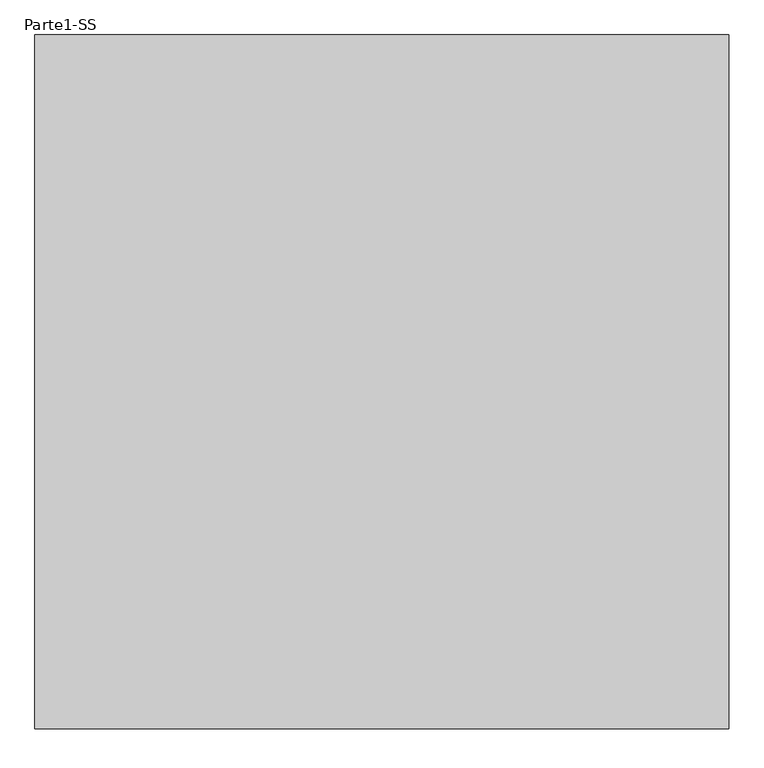
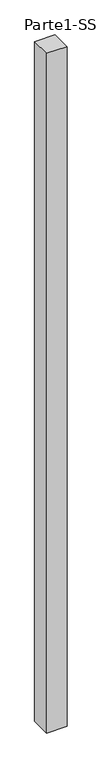
"""IFC4 building model written with IfcOpenShell, lengths in millimetres: proxy geometry, Parte1-SS."""

from ifc_helpers import new_model, si_unit, frame, origin, place, context, project, spatial, polyline, outline, extrude, source, transform, mapped, element, save


def parte1_ss_4fb613af(model_context):
    return source(origin(), model_context, "Body", "SweptSolid", [
        extrude(outline(polyline([(4000.0, 4000.0), (4000.0, 0.0), (0.0, 0.0), (0.0, 4000.0), (4000.0, 4000.0)])), frame((0.0, 0.0, 25000.0), z_axis=(0.0, 0.0, 1.0), x_axis=(1.0, 0.0, 0.0)), (0.0, 0.0, 1.0), 140000.0),
    ])


if __name__ == "__main__":
    model = new_model("IFC4")
    model_context = context("Model", 3, world=origin())
    ifc_project = project(units=[si_unit("LENGTHUNIT", "METRE", prefix="MILLI")], contexts=[model_context])
    site = spatial("IfcSite", under=ifc_project)
    building = spatial("IfcBuilding", under=site)
    placement = place(None, origin())
    parte1_ss_shape = parte1_ss_4fb613af(model_context)
    element("IfcBuildingElementProxy", 1, Name="Parte1-SS", ObjectType="Parte1-SS", at=placement, inside=building, context=model_context, shape_type="MappedRepresentation", body=[
        mapped(parte1_ss_shape, transform((0.0, 0.0, 0.0), x_axis=(1.0, 0.0, 0.0), y_axis=(0.0, 1.0, 0.0), z_axis=(0.0, 0.0, 1.0))),
    ])
    save(model, "model.ifc")
